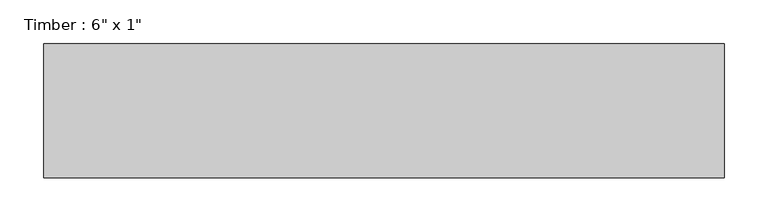
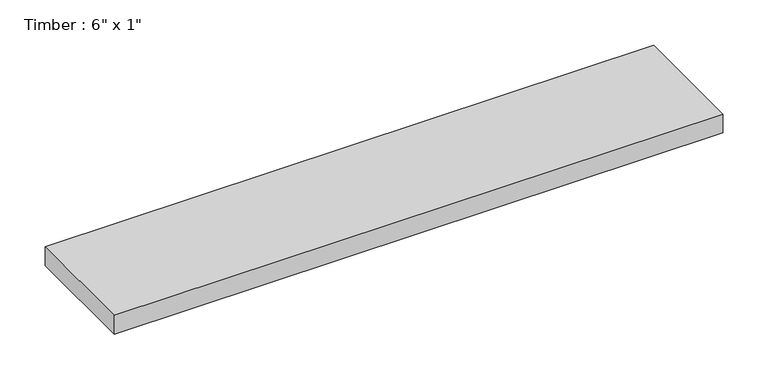
"""IFC4 building model written with IfcOpenShell, lengths in millimetres: beam geometry."""

from ifc_helpers import new_model, si_unit, frame, origin, place, context, project, spatial, polyline, outline, extrude, source, transform, mapped, element, save


def beam_74dce767(model_context):
    return source(origin(), model_context, "Body", "SweptSolid", [
        extrude(outline(polyline([(387.1783889, 76.2), (387.1783889, -76.2), (-387.1783889, -76.2), (-387.1783889, 76.2), (387.1783889, 76.2)])), frame((0.0, 0.0, -12.7), z_axis=(0.0, 0.0, 1.0), x_axis=(1.0, 0.0, 0.0)), (0.0, 0.0, 1.0), 25.4),
    ])


if __name__ == "__main__":
    model = new_model("IFC4")
    model_context = context("Model", 3, world=origin())
    ifc_project = project(units=[si_unit("LENGTHUNIT", "METRE", prefix="MILLI")], contexts=[model_context])
    site = spatial("IfcSite", under=ifc_project)
    building = spatial("IfcBuilding", under=site)
    placement = place(None, origin())
    beam_shape = beam_74dce767(model_context)
    element("IfcBeam", 1, ObjectType="Timber : 6\" x 1\"", at=placement, inside=building, context=model_context, shape_type="MappedRepresentation", body=[
        mapped(beam_shape, transform((0.0, 0.0, 0.0), x_axis=(1.0, 0.0, 0.0), y_axis=(0.0, 1.0, 0.0), z_axis=(0.0, 0.0, 1.0))),
    ])
    save(model, "model.ifc")
